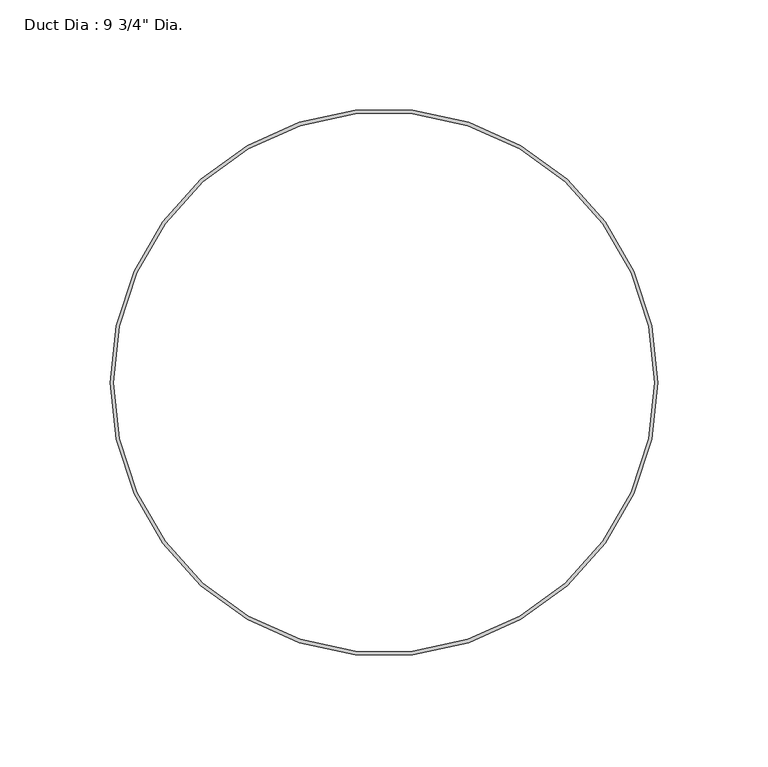
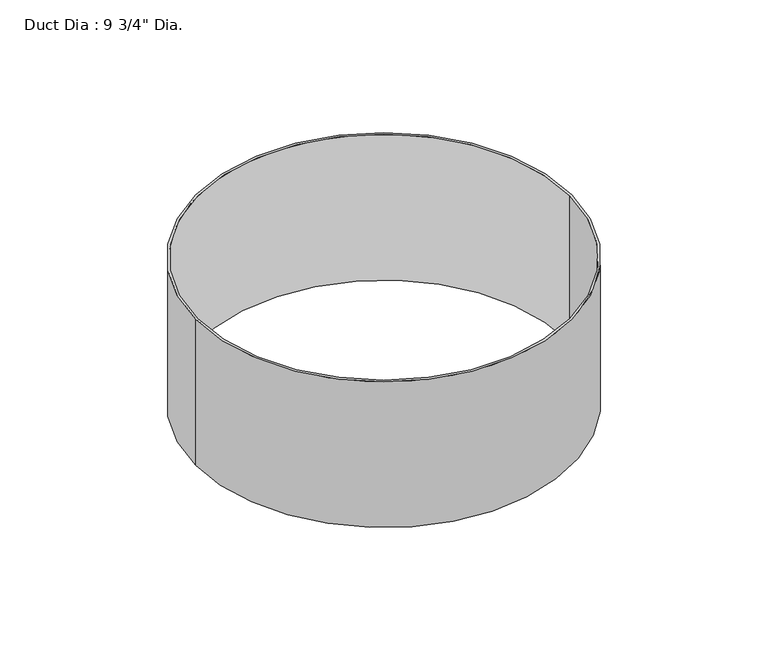
"""IFC4 building model written with IfcOpenShell, lengths in millimetres: proxy geometry."""

from ifc_helpers import new_model, si_unit, point, origin, origin_with_axes, origin_2d, place, context, project, spatial, circle_curve, trimmed, segment, composite_curve, outline, extrude, source, transform, mapped, element, save


def proxy_0afa765f(model_context):
    return source(origin(), model_context, "Body", "SweptSolid", [
        extrude(outline(composite_curve([segment(trimmed(circle_curve(origin_2d(), 123.825), [point((-123.825, 0.0))], [point((123.825, 0.0))], False, "CARTESIAN"), True, "CONTINUOUS"), segment(trimmed(circle_curve(origin_2d(), 123.825), [point((123.825, 0.0))], [point((-123.825, 0.0))], False, "CARTESIAN"), True, "CONTINUOUS")], self_intersect=False), holes=[composite_curve([segment(trimmed(circle_curve(origin_2d(), 122.2375), [point((-122.2375, 0.0))], [point((122.2375, 0.0))], True, "CARTESIAN"), True, "CONTINUOUS"), segment(trimmed(circle_curve(origin_2d(), 122.2375), [point((122.2375, 0.0))], [point((-122.2375, 0.0))], True, "CARTESIAN"), True, "CONTINUOUS")], self_intersect=False)]), origin_with_axes(), (0.0, 0.0, 1.0), 101.6),
    ])


if __name__ == "__main__":
    model = new_model("IFC4")
    model_context = context("Model", 3, world=origin())
    ifc_project = project(units=[si_unit("LENGTHUNIT", "METRE", prefix="MILLI")], contexts=[model_context])
    site = spatial("IfcSite", under=ifc_project)
    building = spatial("IfcBuilding", under=site)
    placement = place(None, origin())
    proxy_shape = proxy_0afa765f(model_context)
    element("IfcBuildingElementProxy", 1, Name="Duct Dia : 9 3/4\" Dia.", ObjectType="Duct Dia : 9 3/4\" Dia.", at=placement, inside=building, context=model_context, shape_type="MappedRepresentation", body=[
        mapped(proxy_shape, transform((0.0, 0.0, 0.0), x_axis=(1.0, 0.0, 0.0), y_axis=(0.0, 1.0, 0.0), z_axis=(0.0, 0.0, 1.0))),
    ])
    save(model, "model.ifc")
